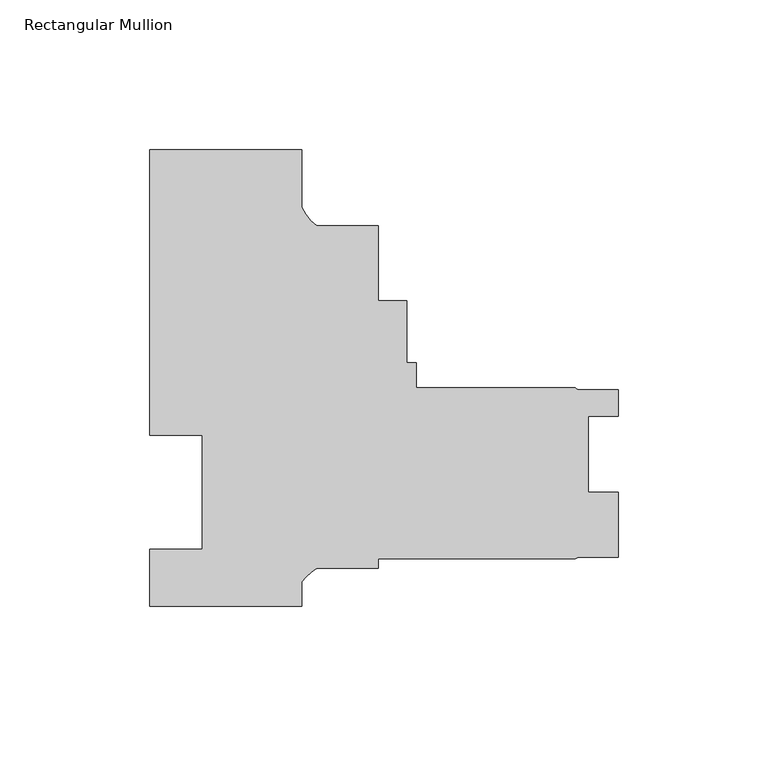
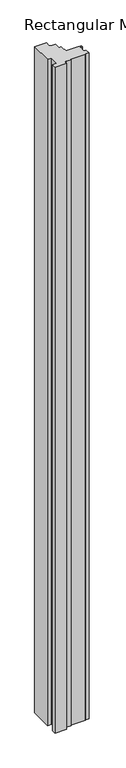
"""IFC4 building model written with IfcOpenShell, lengths in millimetres: member geometry, Rectangular Mullion."""

import ifcopenshell
import ifcopenshell.guid

model = None  # the IFC model being written
_history = None  # IfcOwnerHistory: only IFC2X3 demands one
_inside = {}  # id of a spatial element -> (the spatial element, [elements in it])
_under = {}  # id of a project, library or spatial element -> (it, [spatial elements below it])
_declared = {}  # id of a project -> (the project, [libraries it declares])
_typed = {}  # id of a type object -> (the type object, [elements of that type])
_made_of = {}  # id of a material, layer set ... -> (it, [elements and type objects made of it])


def new_model(schema):
    """Start an empty IFC model of exactly this schema.

    Asked for "IFC4X3", IfcOpenShell would pick the latest addendum, in which some entities
    have other attributes; the version numbers below select the first issue.
    IFC2X3 requires an IfcOwnerHistory on every rooted entity: one is made here for all.
    """
    global model, _history
    if schema == "IFC4X3":
        model = ifcopenshell.file(schema_version=(4, 3, 0, 0))
    else:
        model = ifcopenshell.file(schema=schema)
    _inside.clear()
    _under.clear()
    _declared.clear()
    _typed.clear()
    _made_of.clear()
    _history = None
    if model.schema == "IFC2X3":
        org = make("IfcOrganization", Name="unknown")
        user = make(
            "IfcPersonAndOrganization",
            ThePerson=make("IfcPerson", FamilyName="unknown"),
            TheOrganization=org,
        )
        app = make(
            "IfcApplication",
            ApplicationDeveloper=org,
            Version="unknown",
            ApplicationFullName="unknown",
            ApplicationIdentifier="unknown",
        )
        _history = make(
            "IfcOwnerHistory",
            OwningUser=user,
            OwningApplication=app,
            ChangeAction="ADDED",
            CreationDate=0,
        )
    return model


def make(cls, **values):
    """One entity of the class cls with the attributes given. An attribute that is None is left unset."""
    return model.create_entity(
        cls, **{name: value for name, value in values.items() if value is not None}
    )


def rooted(cls, **values):
    """An entity with a GlobalId (a new one), such as an element, a storey or a relation."""
    return make(cls, GlobalId=ifcopenshell.guid.new(), OwnerHistory=_history, **values)


def si_unit(unit_type, name, prefix=None):
    """IfcSIUnit, for example si_unit("LENGTHUNIT", "METRE", prefix="MILLI")."""
    return make("IfcSIUnit", UnitType=unit_type, Prefix=prefix, Name=name)


def assignment(units):
    """IfcUnitAssignment: the units of a project."""
    return None if units is None else make("IfcUnitAssignment", Units=units)


def point(xyz):
    """IfcCartesianPoint."""
    return None if xyz is None else make("IfcCartesianPoint", Coordinates=xyz)


def direction(xyz):
    """IfcDirection."""
    return None if xyz is None else make("IfcDirection", DirectionRatios=xyz)


def frame(location, z_axis=None, x_axis=None):
    """IfcAxis2Placement3D, a coordinate frame: its origin and axes. An axis left out is left unset."""
    return make(
        "IfcAxis2Placement3D",
        Location=point(location),
        Axis=direction(z_axis),
        RefDirection=direction(x_axis),
    )


def frame_2d(location, x_axis=None):
    """IfcAxis2Placement2D, a coordinate frame in the plane: its origin and x axis."""
    return make(
        "IfcAxis2Placement2D", Location=point(location), RefDirection=direction(x_axis)
    )


def origin():
    """The frame at (0, 0, 0) with its axes left unset."""
    return frame((0.0, 0.0, 0.0))


def place(relative_to, where):
    """IfcLocalPlacement: puts the frame where relative to a parent placement (None: the world)."""
    return make(
        "IfcLocalPlacement", PlacementRelTo=relative_to, RelativePlacement=where
    )


def context(
    kind, dimensions, precision=None, world=None, true_north=None, identifier=None
):
    """IfcGeometricRepresentationContext, for example the 3D "Model" context."""
    return make(
        "IfcGeometricRepresentationContext",
        ContextIdentifier=identifier,
        ContextType=kind,
        CoordinateSpaceDimension=dimensions,
        Precision=precision,
        WorldCoordinateSystem=world,
        TrueNorth=true_north,
    )


def project(units=None, contexts=None):
    """IfcProject with its units and contexts."""
    return rooted(
        "IfcProject",
        Name="project",
        RepresentationContexts=contexts,
        UnitsInContext=assignment(units),
    )


def spatial(cls, under=None, at=None, **own):
    """A site, building, storey or space (cls), placed at a placement, below another one or the project."""
    s = rooted(cls, ObjectPlacement=at, **own)
    if under is not None:
        _under.setdefault(under.id(), (under, []))[1].append(s)
    return s


def polyline(points):
    """IfcPolyline through the points."""
    return make("IfcPolyline", Points=[point(p) for p in points])


def circle_curve(where, radius):
    """IfcCircle in the frame where."""
    return make("IfcCircle", Position=where, Radius=radius)


def trimmed(basis, trim1, trim2, sense, master):
    """IfcTrimmedCurve: the piece of a basis curve between two trims."""
    return make(
        "IfcTrimmedCurve",
        BasisCurve=basis,
        Trim1=trim1,
        Trim2=trim2,
        SenseAgreement=sense,
        MasterRepresentation=master,
    )


def segment(curve, same_sense, transition):
    """IfcCompositeCurveSegment."""
    return make(
        "IfcCompositeCurveSegment",
        Transition=transition,
        SameSense=same_sense,
        ParentCurve=curve,
    )


def composite_curve(segments, self_intersect=None):
    """IfcCompositeCurve: segments joined end to end."""
    return make("IfcCompositeCurve", Segments=segments, SelfIntersect=self_intersect)


def outline(outer, holes=None, kind="AREA"):
    """IfcArbitraryClosedProfileDef: a profile drawn as a closed curve; with holes, ...WithVoids."""
    if holes is None:
        return make("IfcArbitraryClosedProfileDef", ProfileType=kind, OuterCurve=outer)
    return make(
        "IfcArbitraryProfileDefWithVoids",
        ProfileType=kind,
        OuterCurve=outer,
        InnerCurves=holes,
    )


def extrude(swept, where, along, depth):
    """IfcExtrudedAreaSolid: the profile swept, set in the frame where, extruded along a direction by depth."""
    return make(
        "IfcExtrudedAreaSolid",
        SweptArea=swept,
        Position=where,
        ExtrudedDirection=direction(along),
        Depth=depth,
    )


def shape(context_of_items, identifier, shape_type, items):
    """IfcShapeRepresentation: the items that make up one representation, for example the "Body"."""
    return make(
        "IfcShapeRepresentation",
        ContextOfItems=context_of_items,
        RepresentationIdentifier=identifier,
        RepresentationType=shape_type,
        Items=items,
    )


def source(mapping_origin, context_of_items, identifier, shape_type, items):
    """IfcRepresentationMap: a shape defined once, which mapped items show again and again."""
    return make(
        "IfcRepresentationMap",
        MappingOrigin=mapping_origin,
        MappedRepresentation=shape(context_of_items, identifier, shape_type, items),
    )


def transform(
    local_origin,
    x_axis=None,
    y_axis=None,
    z_axis=None,
    scale=None,
    scale2=None,
    scale3=None,
    uniform=True,
):
    """IfcCartesianTransformationOperator3D, or its non-uniform kind. x_axis, y_axis, z_axis: its Axis1, 2, 3."""
    if uniform:
        return make(
            "IfcCartesianTransformationOperator3D",
            Axis1=direction(x_axis),
            Axis2=direction(y_axis),
            LocalOrigin=point(local_origin),
            Scale=scale,
            Axis3=direction(z_axis),
        )
    return make(
        "IfcCartesianTransformationOperator3DnonUniform",
        Axis1=direction(x_axis),
        Axis2=direction(y_axis),
        LocalOrigin=point(local_origin),
        Scale=scale,
        Axis3=direction(z_axis),
        Scale2=scale2,
        Scale3=scale3,
    )


def mapped(mapping_source, mapping_target):
    """IfcMappedItem: shows the shape of a source again, moved by a transform."""
    return make(
        "IfcMappedItem", MappingSource=mapping_source, MappingTarget=mapping_target
    )


def made_of(thing, what):
    """Note that an element or type object is made of a material, layer set ...; save() writes the relation."""
    if what is not None:
        _made_of.setdefault(what.id(), (what, []))[1].append(thing)
    return thing


def element(
    cls,
    number,
    at=None,
    inside=None,
    cuts=None,
    type_object=None,
    material=None,
    context=None,
    identifier="Body",
    shape_type=None,
    held_by="IfcProductDefinitionShape",
    body=None,
    shapes=None,
    **own,
):
    """One element of the class cls, such as IfcWall. Its Tag is "e" and its number.

    at: its placement. inside: the storey or other place that contains it. cuts: it is an
    opening in that element (IfcRelVoidsElement). A single representation is given by context,
    identifier, shape_type and body (its items); several are given by shapes. held_by: the class
    of the entity that holds the representations. save() writes the other relations.
    """
    e = rooted(cls, Tag="e%d" % number, ObjectPlacement=at, **own)
    if body is not None:
        shapes = [shape(context, identifier, shape_type, body)]
    if shapes is not None:
        e.Representation = make(held_by, Representations=shapes)
    if inside is not None:
        _inside.setdefault(inside.id(), (inside, []))[1].append(e)
    if cuts is not None:
        rooted(
            "IfcRelVoidsElement", RelatingBuildingElement=cuts, RelatedOpeningElement=e
        )
    if type_object is not None:
        _typed.setdefault(type_object.id(), (type_object, []))[1].append(e)
    return made_of(e, material)


def aggregate(whole, parts):
    """IfcRelAggregates: a whole, such as a stair, and the parts it consists of."""
    return rooted("IfcRelAggregates", RelatingObject=whole, RelatedObjects=parts)


def save(model, path):
    """Write the relations noted so far, then the file.

    IfcRelAggregates (storeys below a building ...), IfcRelContainedInSpatialStructure (elements
    in a storey), IfcRelDefinesByType, IfcRelAssociatesMaterial and IfcRelDeclares: one each for
    every whole, place, type object, material and project.
    """
    for whole, parts in _under.values():
        aggregate(whole, parts)
    for where, things in _inside.values():
        rooted(
            "IfcRelContainedInSpatialStructure",
            RelatedElements=things,
            RelatingStructure=where,
        )
    for kind, things in _typed.values():
        rooted("IfcRelDefinesByType", RelatedObjects=things, RelatingType=kind)
    for what, things in _made_of.values():
        rooted("IfcRelAssociatesMaterial", RelatedObjects=things, RelatingMaterial=what)
    for by, libraries in _declared.values():
        rooted("IfcRelDeclares", RelatingContext=by, RelatedDefinitions=libraries)
    model.write(path)


def rectangular_mullion_92222b4a(model_context):
    return source(origin(), model_context, "Body", "SweptSolid", [
        extrude(outline(composite_curve([segment(polyline([(25.4, 152.4), (25.4, 133.228246)]), True, "CONTINUOUS"), segment(trimmed(circle_curve(frame_2d((39.5144624, 139.281361)), 15.3576772), [point((25.4, 133.228246))], [point((30.2934851, 127.0))], True, "CARTESIAN"), True, "CONTINUOUS"), segment(polyline([(30.2934851, 127.0), (50.7999898, 127.0), (50.7999898, 101.9556), (60.3249898, 101.9556), (60.3249898, 81.3308), (63.4999898, 81.3308), (63.4999898, 73.025), (116.6812398, 73.025), (117.4749898, 72.23125), (130.9687398, 72.23125), (130.9687398, 63.49365), (120.9357398, 63.49365), (120.9357398, 38.09365), (130.9560396, 38.09365), (130.9560396, 16.3321999), (117.6617082, 16.3321999), (116.6812398, 15.875), (50.7999898, 15.875), (50.7999898, 12.7), (30.3723453, 12.7)]), True, "CONTINUOUS"), segment(trimmed(circle_curve(frame_2d((37.3094465, 0.1243368)), 14.3621265), [point((30.3723453, 12.7))], [point((25.4, 8.1515256))], True, "CARTESIAN"), True, "CONTINUOUS"), segment(polyline([(25.4, 8.1515256), (25.4, 0.0), (-25.4, 0.0), (-25.4, 19.05), (-7.9502, 19.05), (-7.9502, 57.15), (-25.4, 57.15), (-25.4, 152.4), (25.4, 152.4)]), True, "CONTINUOUS")], self_intersect=False)), frame((0.0, 0.0, -3048.0), z_axis=(0.0, 0.0, 1.0), x_axis=(1.0, 0.0, 0.0)), (0.0, 0.0, 1.0), 3048.0),
    ])


if __name__ == "__main__":
    model = new_model("IFC4")
    model_context = context("Model", 3, world=origin())
    ifc_project = project(units=[si_unit("LENGTHUNIT", "METRE", prefix="MILLI")], contexts=[model_context])
    site = spatial("IfcSite", under=ifc_project)
    building = spatial("IfcBuilding", under=site)
    placement = place(None, origin())
    rectangular_mullion_shape = rectangular_mullion_92222b4a(model_context)
    element("IfcMember", 1, ObjectType="Rectangular Mullion", at=placement, inside=building, context=model_context, shape_type="MappedRepresentation", body=[
        mapped(rectangular_mullion_shape, transform((0.0, 0.0, 0.0), x_axis=(1.0, 0.0, 0.0), y_axis=(0.0, 1.0, 0.0), z_axis=(0.0, 0.0, 1.0))),
    ])
    save(model, "model.ifc")
